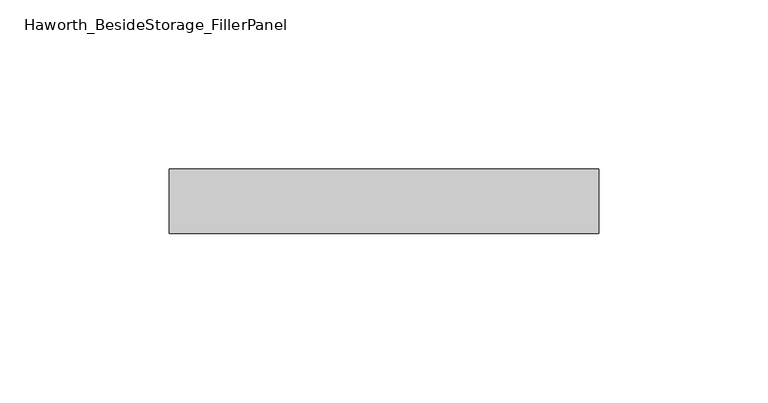
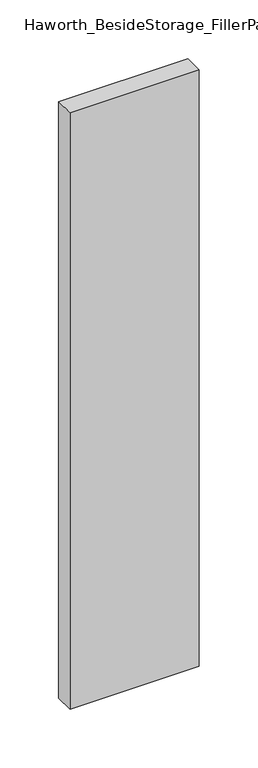
"""IFC4 building model written with IfcOpenShell, lengths in millimetres: furniture geometry, Haworth_BesideStorage_FillerPanel."""

import ifcopenshell
import ifcopenshell.guid

model = None  # the IFC model being written
_history = None  # IfcOwnerHistory: only IFC2X3 demands one
_inside = {}  # id of a spatial element -> (the spatial element, [elements in it])
_under = {}  # id of a project, library or spatial element -> (it, [spatial elements below it])
_declared = {}  # id of a project -> (the project, [libraries it declares])
_typed = {}  # id of a type object -> (the type object, [elements of that type])
_made_of = {}  # id of a material, layer set ... -> (it, [elements and type objects made of it])


def new_model(schema):
    """Start an empty IFC model of exactly this schema.

    Asked for "IFC4X3", IfcOpenShell would pick the latest addendum, in which some entities
    have other attributes; the version numbers below select the first issue.
    IFC2X3 requires an IfcOwnerHistory on every rooted entity: one is made here for all.
    """
    global model, _history
    if schema == "IFC4X3":
        model = ifcopenshell.file(schema_version=(4, 3, 0, 0))
    else:
        model = ifcopenshell.file(schema=schema)
    _inside.clear()
    _under.clear()
    _declared.clear()
    _typed.clear()
    _made_of.clear()
    _history = None
    if model.schema == "IFC2X3":
        org = make("IfcOrganization", Name="unknown")
        user = make(
            "IfcPersonAndOrganization",
            ThePerson=make("IfcPerson", FamilyName="unknown"),
            TheOrganization=org,
        )
        app = make(
            "IfcApplication",
            ApplicationDeveloper=org,
            Version="unknown",
            ApplicationFullName="unknown",
            ApplicationIdentifier="unknown",
        )
        _history = make(
            "IfcOwnerHistory",
            OwningUser=user,
            OwningApplication=app,
            ChangeAction="ADDED",
            CreationDate=0,
        )
    return model


def make(cls, **values):
    """One entity of the class cls with the attributes given. An attribute that is None is left unset."""
    return model.create_entity(
        cls, **{name: value for name, value in values.items() if value is not None}
    )


def rooted(cls, **values):
    """An entity with a GlobalId (a new one), such as an element, a storey or a relation."""
    return make(cls, GlobalId=ifcopenshell.guid.new(), OwnerHistory=_history, **values)


def si_unit(unit_type, name, prefix=None):
    """IfcSIUnit, for example si_unit("LENGTHUNIT", "METRE", prefix="MILLI")."""
    return make("IfcSIUnit", UnitType=unit_type, Prefix=prefix, Name=name)


def assignment(units):
    """IfcUnitAssignment: the units of a project."""
    return None if units is None else make("IfcUnitAssignment", Units=units)


def point(xyz):
    """IfcCartesianPoint."""
    return None if xyz is None else make("IfcCartesianPoint", Coordinates=xyz)


def direction(xyz):
    """IfcDirection."""
    return None if xyz is None else make("IfcDirection", DirectionRatios=xyz)


def frame(location, z_axis=None, x_axis=None):
    """IfcAxis2Placement3D, a coordinate frame: its origin and axes. An axis left out is left unset."""
    return make(
        "IfcAxis2Placement3D",
        Location=point(location),
        Axis=direction(z_axis),
        RefDirection=direction(x_axis),
    )


def origin():
    """The frame at (0, 0, 0) with its axes left unset."""
    return frame((0.0, 0.0, 0.0))


def place(relative_to, where):
    """IfcLocalPlacement: puts the frame where relative to a parent placement (None: the world)."""
    return make(
        "IfcLocalPlacement", PlacementRelTo=relative_to, RelativePlacement=where
    )


def context(
    kind, dimensions, precision=None, world=None, true_north=None, identifier=None
):
    """IfcGeometricRepresentationContext, for example the 3D "Model" context."""
    return make(
        "IfcGeometricRepresentationContext",
        ContextIdentifier=identifier,
        ContextType=kind,
        CoordinateSpaceDimension=dimensions,
        Precision=precision,
        WorldCoordinateSystem=world,
        TrueNorth=true_north,
    )


def project(units=None, contexts=None):
    """IfcProject with its units and contexts."""
    return rooted(
        "IfcProject",
        Name="project",
        RepresentationContexts=contexts,
        UnitsInContext=assignment(units),
    )


def spatial(cls, under=None, at=None, **own):
    """A site, building, storey or space (cls), placed at a placement, below another one or the project."""
    s = rooted(cls, ObjectPlacement=at, **own)
    if under is not None:
        _under.setdefault(under.id(), (under, []))[1].append(s)
    return s


def polyline(points):
    """IfcPolyline through the points."""
    return make("IfcPolyline", Points=[point(p) for p in points])


def outline(outer, holes=None, kind="AREA"):
    """IfcArbitraryClosedProfileDef: a profile drawn as a closed curve; with holes, ...WithVoids."""
    if holes is None:
        return make("IfcArbitraryClosedProfileDef", ProfileType=kind, OuterCurve=outer)
    return make(
        "IfcArbitraryProfileDefWithVoids",
        ProfileType=kind,
        OuterCurve=outer,
        InnerCurves=holes,
    )


def extrude(swept, where, along, depth):
    """IfcExtrudedAreaSolid: the profile swept, set in the frame where, extruded along a direction by depth."""
    return make(
        "IfcExtrudedAreaSolid",
        SweptArea=swept,
        Position=where,
        ExtrudedDirection=direction(along),
        Depth=depth,
    )


def shape(context_of_items, identifier, shape_type, items):
    """IfcShapeRepresentation: the items that make up one representation, for example the "Body"."""
    return make(
        "IfcShapeRepresentation",
        ContextOfItems=context_of_items,
        RepresentationIdentifier=identifier,
        RepresentationType=shape_type,
        Items=items,
    )


def source(mapping_origin, context_of_items, identifier, shape_type, items):
    """IfcRepresentationMap: a shape defined once, which mapped items show again and again."""
    return make(
        "IfcRepresentationMap",
        MappingOrigin=mapping_origin,
        MappedRepresentation=shape(context_of_items, identifier, shape_type, items),
    )


def transform(
    local_origin,
    x_axis=None,
    y_axis=None,
    z_axis=None,
    scale=None,
    scale2=None,
    scale3=None,
    uniform=True,
):
    """IfcCartesianTransformationOperator3D, or its non-uniform kind. x_axis, y_axis, z_axis: its Axis1, 2, 3."""
    if uniform:
        return make(
            "IfcCartesianTransformationOperator3D",
            Axis1=direction(x_axis),
            Axis2=direction(y_axis),
            LocalOrigin=point(local_origin),
            Scale=scale,
            Axis3=direction(z_axis),
        )
    return make(
        "IfcCartesianTransformationOperator3DnonUniform",
        Axis1=direction(x_axis),
        Axis2=direction(y_axis),
        LocalOrigin=point(local_origin),
        Scale=scale,
        Axis3=direction(z_axis),
        Scale2=scale2,
        Scale3=scale3,
    )


def mapped(mapping_source, mapping_target):
    """IfcMappedItem: shows the shape of a source again, moved by a transform."""
    return make(
        "IfcMappedItem", MappingSource=mapping_source, MappingTarget=mapping_target
    )


def made_of(thing, what):
    """Note that an element or type object is made of a material, layer set ...; save() writes the relation."""
    if what is not None:
        _made_of.setdefault(what.id(), (what, []))[1].append(thing)
    return thing


def element(
    cls,
    number,
    at=None,
    inside=None,
    cuts=None,
    type_object=None,
    material=None,
    context=None,
    identifier="Body",
    shape_type=None,
    held_by="IfcProductDefinitionShape",
    body=None,
    shapes=None,
    **own,
):
    """One element of the class cls, such as IfcWall. Its Tag is "e" and its number.

    at: its placement. inside: the storey or other place that contains it. cuts: it is an
    opening in that element (IfcRelVoidsElement). A single representation is given by context,
    identifier, shape_type and body (its items); several are given by shapes. held_by: the class
    of the entity that holds the representations. save() writes the other relations.
    """
    e = rooted(cls, Tag="e%d" % number, ObjectPlacement=at, **own)
    if body is not None:
        shapes = [shape(context, identifier, shape_type, body)]
    if shapes is not None:
        e.Representation = make(held_by, Representations=shapes)
    if inside is not None:
        _inside.setdefault(inside.id(), (inside, []))[1].append(e)
    if cuts is not None:
        rooted(
            "IfcRelVoidsElement", RelatingBuildingElement=cuts, RelatedOpeningElement=e
        )
    if type_object is not None:
        _typed.setdefault(type_object.id(), (type_object, []))[1].append(e)
    return made_of(e, material)


def aggregate(whole, parts):
    """IfcRelAggregates: a whole, such as a stair, and the parts it consists of."""
    return rooted("IfcRelAggregates", RelatingObject=whole, RelatedObjects=parts)


def save(model, path):
    """Write the relations noted so far, then the file.

    IfcRelAggregates (storeys below a building ...), IfcRelContainedInSpatialStructure (elements
    in a storey), IfcRelDefinesByType, IfcRelAssociatesMaterial and IfcRelDeclares: one each for
    every whole, place, type object, material and project.
    """
    for whole, parts in _under.values():
        aggregate(whole, parts)
    for where, things in _inside.values():
        rooted(
            "IfcRelContainedInSpatialStructure",
            RelatedElements=things,
            RelatingStructure=where,
        )
    for kind, things in _typed.values():
        rooted("IfcRelDefinesByType", RelatedObjects=things, RelatingType=kind)
    for what, things in _made_of.values():
        rooted("IfcRelAssociatesMaterial", RelatedObjects=things, RelatingMaterial=what)
    for by, libraries in _declared.values():
        rooted("IfcRelDeclares", RelatingContext=by, RelatedDefinitions=libraries)
    model.write(path)


def haworth_besidestorage_fillerpanel_75924876(model_context):
    return source(origin(), model_context, "Body", "SweptSolid", [
        extrude(outline(polyline([(365.125, 247.8645843), (365.125, 228.8145843), (238.125, 228.8145843), (238.125, 247.8645843), (365.125, 247.8645843)])), frame((0.0, 0.0, 44.45), z_axis=(0.0, 0.0, 1.0), x_axis=(1.0, 0.0, 0.0)), (0.0, 0.0, 1.0), 619.125),
    ])


if __name__ == "__main__":
    model = new_model("IFC4")
    model_context = context("Model", 3, world=origin())
    ifc_project = project(units=[si_unit("LENGTHUNIT", "METRE", prefix="MILLI")], contexts=[model_context])
    site = spatial("IfcSite", under=ifc_project)
    building = spatial("IfcBuilding", under=site)
    placement = place(None, origin())
    haworth_besidestorage_fillerpanel_shape = haworth_besidestorage_fillerpanel_75924876(model_context)
    element("IfcFurniture", 1, ObjectType="Haworth_BesideStorage_FillerPanel", at=placement, inside=building, context=model_context, shape_type="MappedRepresentation", body=[
        mapped(haworth_besidestorage_fillerpanel_shape, transform((0.0, 0.0, 0.0), x_axis=(1.0, 0.0, 0.0), y_axis=(0.0, 1.0, 0.0), z_axis=(0.0, 0.0, 1.0))),
    ])
    save(model, "model.ifc")
